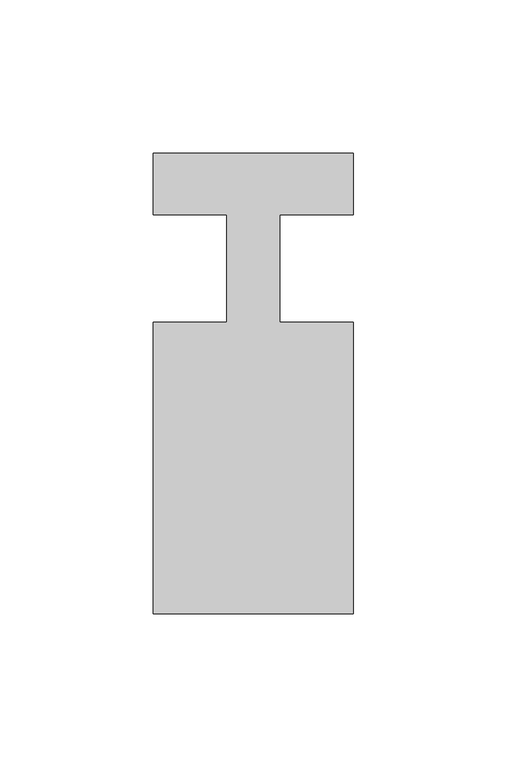
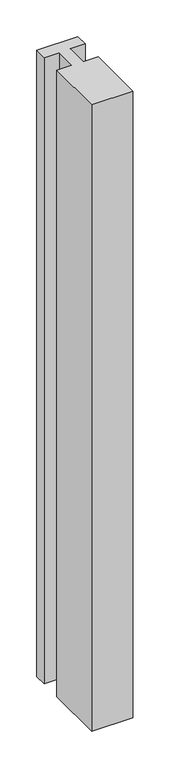
"""IFC4 building model written with IfcOpenShell, lengths in millimetres: member geometry."""

import ifcopenshell
import ifcopenshell.guid

model = None  # the IFC model being written
_history = None  # IfcOwnerHistory: only IFC2X3 demands one
_inside = {}  # id of a spatial element -> (the spatial element, [elements in it])
_under = {}  # id of a project, library or spatial element -> (it, [spatial elements below it])
_declared = {}  # id of a project -> (the project, [libraries it declares])
_typed = {}  # id of a type object -> (the type object, [elements of that type])
_made_of = {}  # id of a material, layer set ... -> (it, [elements and type objects made of it])


def new_model(schema):
    """Start an empty IFC model of exactly this schema.

    Asked for "IFC4X3", IfcOpenShell would pick the latest addendum, in which some entities
    have other attributes; the version numbers below select the first issue.
    IFC2X3 requires an IfcOwnerHistory on every rooted entity: one is made here for all.
    """
    global model, _history
    if schema == "IFC4X3":
        model = ifcopenshell.file(schema_version=(4, 3, 0, 0))
    else:
        model = ifcopenshell.file(schema=schema)
    _inside.clear()
    _under.clear()
    _declared.clear()
    _typed.clear()
    _made_of.clear()
    _history = None
    if model.schema == "IFC2X3":
        org = make("IfcOrganization", Name="unknown")
        user = make(
            "IfcPersonAndOrganization",
            ThePerson=make("IfcPerson", FamilyName="unknown"),
            TheOrganization=org,
        )
        app = make(
            "IfcApplication",
            ApplicationDeveloper=org,
            Version="unknown",
            ApplicationFullName="unknown",
            ApplicationIdentifier="unknown",
        )
        _history = make(
            "IfcOwnerHistory",
            OwningUser=user,
            OwningApplication=app,
            ChangeAction="ADDED",
            CreationDate=0,
        )
    return model


def make(cls, **values):
    """One entity of the class cls with the attributes given. An attribute that is None is left unset."""
    return model.create_entity(
        cls, **{name: value for name, value in values.items() if value is not None}
    )


def rooted(cls, **values):
    """An entity with a GlobalId (a new one), such as an element, a storey or a relation."""
    return make(cls, GlobalId=ifcopenshell.guid.new(), OwnerHistory=_history, **values)


def si_unit(unit_type, name, prefix=None):
    """IfcSIUnit, for example si_unit("LENGTHUNIT", "METRE", prefix="MILLI")."""
    return make("IfcSIUnit", UnitType=unit_type, Prefix=prefix, Name=name)


def assignment(units):
    """IfcUnitAssignment: the units of a project."""
    return None if units is None else make("IfcUnitAssignment", Units=units)


def point(xyz):
    """IfcCartesianPoint."""
    return None if xyz is None else make("IfcCartesianPoint", Coordinates=xyz)


def direction(xyz):
    """IfcDirection."""
    return None if xyz is None else make("IfcDirection", DirectionRatios=xyz)


def frame(location, z_axis=None, x_axis=None):
    """IfcAxis2Placement3D, a coordinate frame: its origin and axes. An axis left out is left unset."""
    return make(
        "IfcAxis2Placement3D",
        Location=point(location),
        Axis=direction(z_axis),
        RefDirection=direction(x_axis),
    )


def origin():
    """The frame at (0, 0, 0) with its axes left unset."""
    return frame((0.0, 0.0, 0.0))


def place(relative_to, where):
    """IfcLocalPlacement: puts the frame where relative to a parent placement (None: the world)."""
    return make(
        "IfcLocalPlacement", PlacementRelTo=relative_to, RelativePlacement=where
    )


def context(
    kind, dimensions, precision=None, world=None, true_north=None, identifier=None
):
    """IfcGeometricRepresentationContext, for example the 3D "Model" context."""
    return make(
        "IfcGeometricRepresentationContext",
        ContextIdentifier=identifier,
        ContextType=kind,
        CoordinateSpaceDimension=dimensions,
        Precision=precision,
        WorldCoordinateSystem=world,
        TrueNorth=true_north,
    )


def project(units=None, contexts=None):
    """IfcProject with its units and contexts."""
    return rooted(
        "IfcProject",
        Name="project",
        RepresentationContexts=contexts,
        UnitsInContext=assignment(units),
    )


def spatial(cls, under=None, at=None, **own):
    """A site, building, storey or space (cls), placed at a placement, below another one or the project."""
    s = rooted(cls, ObjectPlacement=at, **own)
    if under is not None:
        _under.setdefault(under.id(), (under, []))[1].append(s)
    return s


def polyline(points):
    """IfcPolyline through the points."""
    return make("IfcPolyline", Points=[point(p) for p in points])


def outline(outer, holes=None, kind="AREA"):
    """IfcArbitraryClosedProfileDef: a profile drawn as a closed curve; with holes, ...WithVoids."""
    if holes is None:
        return make("IfcArbitraryClosedProfileDef", ProfileType=kind, OuterCurve=outer)
    return make(
        "IfcArbitraryProfileDefWithVoids",
        ProfileType=kind,
        OuterCurve=outer,
        InnerCurves=holes,
    )


def extrude(swept, where, along, depth):
    """IfcExtrudedAreaSolid: the profile swept, set in the frame where, extruded along a direction by depth."""
    return make(
        "IfcExtrudedAreaSolid",
        SweptArea=swept,
        Position=where,
        ExtrudedDirection=direction(along),
        Depth=depth,
    )


def shape(context_of_items, identifier, shape_type, items):
    """IfcShapeRepresentation: the items that make up one representation, for example the "Body"."""
    return make(
        "IfcShapeRepresentation",
        ContextOfItems=context_of_items,
        RepresentationIdentifier=identifier,
        RepresentationType=shape_type,
        Items=items,
    )


def source(mapping_origin, context_of_items, identifier, shape_type, items):
    """IfcRepresentationMap: a shape defined once, which mapped items show again and again."""
    return make(
        "IfcRepresentationMap",
        MappingOrigin=mapping_origin,
        MappedRepresentation=shape(context_of_items, identifier, shape_type, items),
    )


def transform(
    local_origin,
    x_axis=None,
    y_axis=None,
    z_axis=None,
    scale=None,
    scale2=None,
    scale3=None,
    uniform=True,
):
    """IfcCartesianTransformationOperator3D, or its non-uniform kind. x_axis, y_axis, z_axis: its Axis1, 2, 3."""
    if uniform:
        return make(
            "IfcCartesianTransformationOperator3D",
            Axis1=direction(x_axis),
            Axis2=direction(y_axis),
            LocalOrigin=point(local_origin),
            Scale=scale,
            Axis3=direction(z_axis),
        )
    return make(
        "IfcCartesianTransformationOperator3DnonUniform",
        Axis1=direction(x_axis),
        Axis2=direction(y_axis),
        LocalOrigin=point(local_origin),
        Scale=scale,
        Axis3=direction(z_axis),
        Scale2=scale2,
        Scale3=scale3,
    )


def mapped(mapping_source, mapping_target):
    """IfcMappedItem: shows the shape of a source again, moved by a transform."""
    return make(
        "IfcMappedItem", MappingSource=mapping_source, MappingTarget=mapping_target
    )


def made_of(thing, what):
    """Note that an element or type object is made of a material, layer set ...; save() writes the relation."""
    if what is not None:
        _made_of.setdefault(what.id(), (what, []))[1].append(thing)
    return thing


def element(
    cls,
    number,
    at=None,
    inside=None,
    cuts=None,
    type_object=None,
    material=None,
    context=None,
    identifier="Body",
    shape_type=None,
    held_by="IfcProductDefinitionShape",
    body=None,
    shapes=None,
    **own,
):
    """One element of the class cls, such as IfcWall. Its Tag is "e" and its number.

    at: its placement. inside: the storey or other place that contains it. cuts: it is an
    opening in that element (IfcRelVoidsElement). A single representation is given by context,
    identifier, shape_type and body (its items); several are given by shapes. held_by: the class
    of the entity that holds the representations. save() writes the other relations.
    """
    e = rooted(cls, Tag="e%d" % number, ObjectPlacement=at, **own)
    if body is not None:
        shapes = [shape(context, identifier, shape_type, body)]
    if shapes is not None:
        e.Representation = make(held_by, Representations=shapes)
    if inside is not None:
        _inside.setdefault(inside.id(), (inside, []))[1].append(e)
    if cuts is not None:
        rooted(
            "IfcRelVoidsElement", RelatingBuildingElement=cuts, RelatedOpeningElement=e
        )
    if type_object is not None:
        _typed.setdefault(type_object.id(), (type_object, []))[1].append(e)
    return made_of(e, material)


def aggregate(whole, parts):
    """IfcRelAggregates: a whole, such as a stair, and the parts it consists of."""
    return rooted("IfcRelAggregates", RelatingObject=whole, RelatedObjects=parts)


def save(model, path):
    """Write the relations noted so far, then the file.

    IfcRelAggregates (storeys below a building ...), IfcRelContainedInSpatialStructure (elements
    in a storey), IfcRelDefinesByType, IfcRelAssociatesMaterial and IfcRelDeclares: one each for
    every whole, place, type object, material and project.
    """
    for whole, parts in _under.values():
        aggregate(whole, parts)
    for where, things in _inside.values():
        rooted(
            "IfcRelContainedInSpatialStructure",
            RelatedElements=things,
            RelatingStructure=where,
        )
    for kind, things in _typed.values():
        rooted("IfcRelDefinesByType", RelatedObjects=things, RelatingType=kind)
    for what, things in _made_of.values():
        rooted("IfcRelAssociatesMaterial", RelatedObjects=things, RelatingMaterial=what)
    for by, libraries in _declared.values():
        rooted("IfcRelDeclares", RelatingContext=by, RelatedDefinitions=libraries)
    model.write(path)


def member_6e6be0aa(model_context):
    return source(origin(), model_context, "Body", "SweptSolid", [
        extrude(outline(polyline([(0.0, 37.0), (0.0, 17.0), (-23.8125, 17.0), (-23.8125, -18.0), (0.0, -18.0), (0.0, -113.0), (-65.0, -113.0), (-65.0, -18.0), (-41.1875, -18.0), (-41.1875, 17.0), (-65.0, 17.0), (-65.0, 37.0), (0.0, 37.0)])), frame((0.0, 0.0, -1042.5), z_axis=(0.0, 0.0, 1.0), x_axis=(1.0, 0.0, 0.0)), (0.0, 0.0, 1.0), 1042.5),
    ])


if __name__ == "__main__":
    model = new_model("IFC4")
    model_context = context("Model", 3, world=origin())
    ifc_project = project(units=[si_unit("LENGTHUNIT", "METRE", prefix="MILLI")], contexts=[model_context])
    site = spatial("IfcSite", under=ifc_project)
    building = spatial("IfcBuilding", under=site)
    placement = place(None, origin())
    member_shape = member_6e6be0aa(model_context)
    element("IfcMember", 1, at=placement, inside=building, context=model_context, shape_type="MappedRepresentation", body=[
        mapped(member_shape, transform((0.0, 0.0, 0.0), x_axis=(1.0, 0.0, 0.0), y_axis=(0.0, 1.0, 0.0), z_axis=(0.0, 0.0, 1.0))),
    ])
    save(model, "model.ifc")
